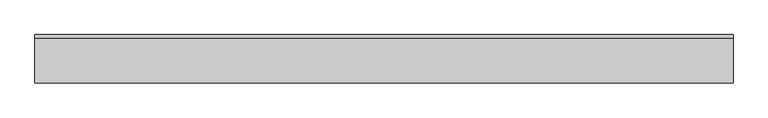
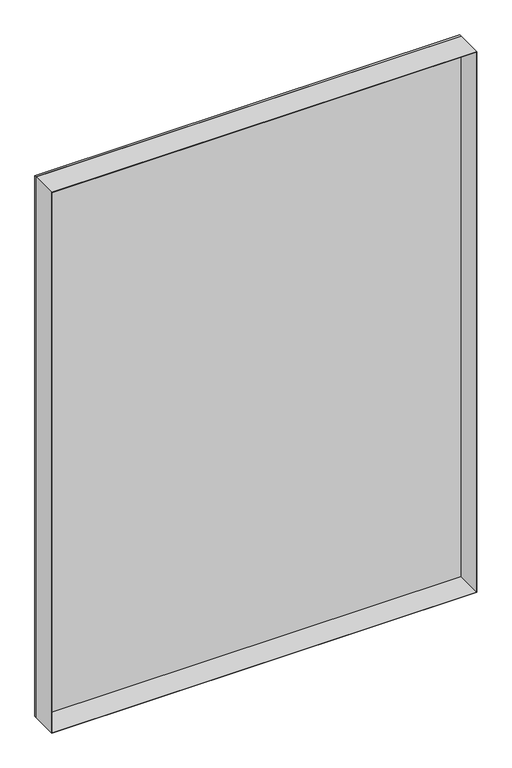
"""IFC4 building model written with IfcOpenShell, lengths in millimetres: plate geometry."""

from ifc_helpers import new_model, si_unit, frame, origin, origin_with_axes, place, context, project, spatial, polyline, outline, extrude, source, transform, mapped, element, save


def plate_a7bf459e(model_context):
    return source(origin(), model_context, "Body", "SweptSolid", [
        extrude(outline(polyline([(1451.75, -539.6875001), (0.0, -539.6875001), (0.0, 539.6875001), (1451.75, 539.6875001), (1451.75, -539.6875001)]), holes=[polyline([(1450.75, -538.6875001), (1450.75, 538.6875001), (1.0, 538.6875001), (1.0, -538.6875001), (1450.75, -538.6875001)])]), frame((0.0, -37.2, 0.0), z_axis=(0.0, 1.0, 0.0), x_axis=(0.0, 0.0, 1.0)), (0.0, 0.0, 1.0), 68.4),
        extrude(outline(polyline([(539.6875001, 31.2), (-539.6875001, 31.2), (-539.6875001, 37.2), (539.6875001, 37.2), (539.6875001, 31.2)])), origin_with_axes(), (0.0, 0.0, 1.0), 1451.75),
    ])


if __name__ == "__main__":
    model = new_model("IFC4")
    model_context = context("Model", 3, world=origin())
    ifc_project = project(units=[si_unit("LENGTHUNIT", "METRE", prefix="MILLI")], contexts=[model_context])
    site = spatial("IfcSite", under=ifc_project)
    building = spatial("IfcBuilding", under=site)
    placement = place(None, origin())
    plate_shape = plate_a7bf459e(model_context)
    element("IfcPlate", 1, at=placement, inside=building, context=model_context, shape_type="MappedRepresentation", body=[
        mapped(plate_shape, transform((0.0, 0.0, 0.0), x_axis=(1.0, 0.0, 0.0), y_axis=(0.0, 1.0, 0.0), z_axis=(0.0, 0.0, 1.0))),
    ])
    save(model, "model.ifc")
